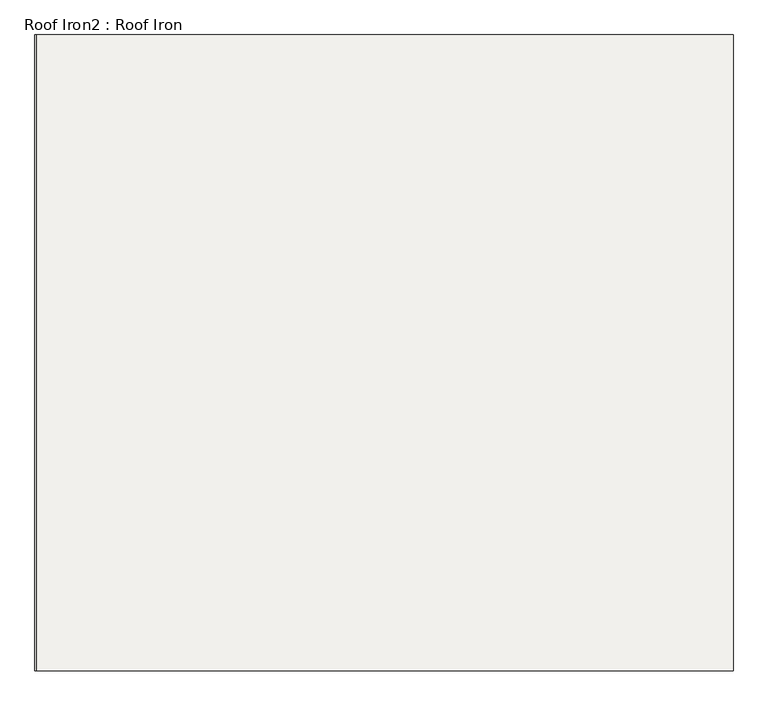
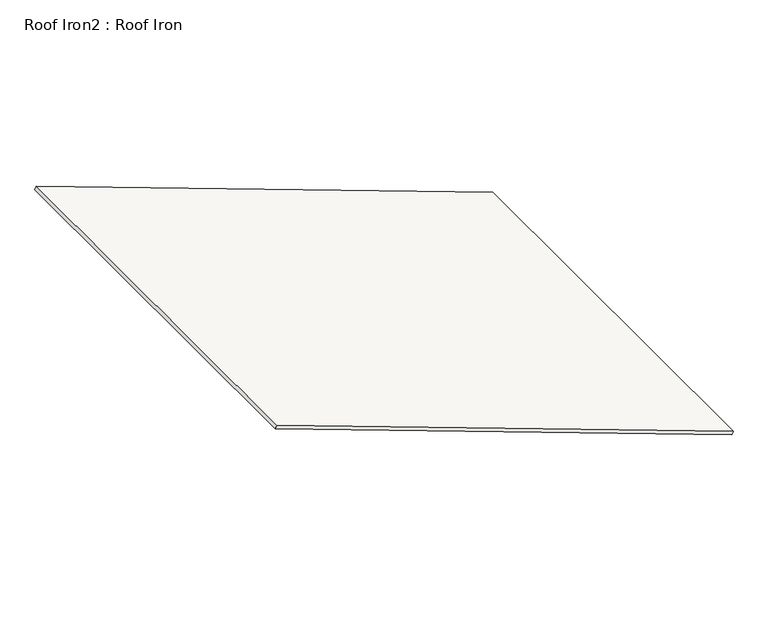
"""IFC4 building model written with IfcOpenShell, lengths in millimetres: roof geometry, Roof Iron2 : Roof Iron."""

import ifcopenshell
import ifcopenshell.guid

model = None  # the IFC model being written
_history = None  # IfcOwnerHistory: only IFC2X3 demands one
_inside = {}  # id of a spatial element -> (the spatial element, [elements in it])
_under = {}  # id of a project, library or spatial element -> (it, [spatial elements below it])
_declared = {}  # id of a project -> (the project, [libraries it declares])
_typed = {}  # id of a type object -> (the type object, [elements of that type])
_made_of = {}  # id of a material, layer set ... -> (it, [elements and type objects made of it])


def new_model(schema):
    """Start an empty IFC model of exactly this schema.

    Asked for "IFC4X3", IfcOpenShell would pick the latest addendum, in which some entities
    have other attributes; the version numbers below select the first issue.
    IFC2X3 requires an IfcOwnerHistory on every rooted entity: one is made here for all.
    """
    global model, _history
    if schema == "IFC4X3":
        model = ifcopenshell.file(schema_version=(4, 3, 0, 0))
    else:
        model = ifcopenshell.file(schema=schema)
    _inside.clear()
    _under.clear()
    _declared.clear()
    _typed.clear()
    _made_of.clear()
    _history = None
    if model.schema == "IFC2X3":
        org = make("IfcOrganization", Name="unknown")
        user = make(
            "IfcPersonAndOrganization",
            ThePerson=make("IfcPerson", FamilyName="unknown"),
            TheOrganization=org,
        )
        app = make(
            "IfcApplication",
            ApplicationDeveloper=org,
            Version="unknown",
            ApplicationFullName="unknown",
            ApplicationIdentifier="unknown",
        )
        _history = make(
            "IfcOwnerHistory",
            OwningUser=user,
            OwningApplication=app,
            ChangeAction="ADDED",
            CreationDate=0,
        )
    return model


def make(cls, **values):
    """One entity of the class cls with the attributes given. An attribute that is None is left unset."""
    return model.create_entity(
        cls, **{name: value for name, value in values.items() if value is not None}
    )


def rooted(cls, **values):
    """An entity with a GlobalId (a new one), such as an element, a storey or a relation."""
    return make(cls, GlobalId=ifcopenshell.guid.new(), OwnerHistory=_history, **values)


def si_unit(unit_type, name, prefix=None):
    """IfcSIUnit, for example si_unit("LENGTHUNIT", "METRE", prefix="MILLI")."""
    return make("IfcSIUnit", UnitType=unit_type, Prefix=prefix, Name=name)


def assignment(units):
    """IfcUnitAssignment: the units of a project."""
    return None if units is None else make("IfcUnitAssignment", Units=units)


def point(xyz):
    """IfcCartesianPoint."""
    return None if xyz is None else make("IfcCartesianPoint", Coordinates=xyz)


def direction(xyz):
    """IfcDirection."""
    return None if xyz is None else make("IfcDirection", DirectionRatios=xyz)


def frame(location, z_axis=None, x_axis=None):
    """IfcAxis2Placement3D, a coordinate frame: its origin and axes. An axis left out is left unset."""
    return make(
        "IfcAxis2Placement3D",
        Location=point(location),
        Axis=direction(z_axis),
        RefDirection=direction(x_axis),
    )


def origin():
    """The frame at (0, 0, 0) with its axes left unset."""
    return frame((0.0, 0.0, 0.0))


def place(relative_to, where):
    """IfcLocalPlacement: puts the frame where relative to a parent placement (None: the world)."""
    return make(
        "IfcLocalPlacement", PlacementRelTo=relative_to, RelativePlacement=where
    )


def context(
    kind, dimensions, precision=None, world=None, true_north=None, identifier=None
):
    """IfcGeometricRepresentationContext, for example the 3D "Model" context."""
    return make(
        "IfcGeometricRepresentationContext",
        ContextIdentifier=identifier,
        ContextType=kind,
        CoordinateSpaceDimension=dimensions,
        Precision=precision,
        WorldCoordinateSystem=world,
        TrueNorth=true_north,
    )


def project(units=None, contexts=None):
    """IfcProject with its units and contexts."""
    return rooted(
        "IfcProject",
        Name="project",
        RepresentationContexts=contexts,
        UnitsInContext=assignment(units),
    )


def spatial(cls, under=None, at=None, **own):
    """A site, building, storey or space (cls), placed at a placement, below another one or the project."""
    s = rooted(cls, ObjectPlacement=at, **own)
    if under is not None:
        _under.setdefault(under.id(), (under, []))[1].append(s)
    return s


def polyline(points):
    """IfcPolyline through the points."""
    return make("IfcPolyline", Points=[point(p) for p in points])


def outline(outer, holes=None, kind="AREA"):
    """IfcArbitraryClosedProfileDef: a profile drawn as a closed curve; with holes, ...WithVoids."""
    if holes is None:
        return make("IfcArbitraryClosedProfileDef", ProfileType=kind, OuterCurve=outer)
    return make(
        "IfcArbitraryProfileDefWithVoids",
        ProfileType=kind,
        OuterCurve=outer,
        InnerCurves=holes,
    )


def extrude(swept, where, along, depth):
    """IfcExtrudedAreaSolid: the profile swept, set in the frame where, extruded along a direction by depth."""
    return make(
        "IfcExtrudedAreaSolid",
        SweptArea=swept,
        Position=where,
        ExtrudedDirection=direction(along),
        Depth=depth,
    )


def shape(context_of_items, identifier, shape_type, items):
    """IfcShapeRepresentation: the items that make up one representation, for example the "Body"."""
    return make(
        "IfcShapeRepresentation",
        ContextOfItems=context_of_items,
        RepresentationIdentifier=identifier,
        RepresentationType=shape_type,
        Items=items,
    )


def source(mapping_origin, context_of_items, identifier, shape_type, items):
    """IfcRepresentationMap: a shape defined once, which mapped items show again and again."""
    return make(
        "IfcRepresentationMap",
        MappingOrigin=mapping_origin,
        MappedRepresentation=shape(context_of_items, identifier, shape_type, items),
    )


def transform(
    local_origin,
    x_axis=None,
    y_axis=None,
    z_axis=None,
    scale=None,
    scale2=None,
    scale3=None,
    uniform=True,
):
    """IfcCartesianTransformationOperator3D, or its non-uniform kind. x_axis, y_axis, z_axis: its Axis1, 2, 3."""
    if uniform:
        return make(
            "IfcCartesianTransformationOperator3D",
            Axis1=direction(x_axis),
            Axis2=direction(y_axis),
            LocalOrigin=point(local_origin),
            Scale=scale,
            Axis3=direction(z_axis),
        )
    return make(
        "IfcCartesianTransformationOperator3DnonUniform",
        Axis1=direction(x_axis),
        Axis2=direction(y_axis),
        LocalOrigin=point(local_origin),
        Scale=scale,
        Axis3=direction(z_axis),
        Scale2=scale2,
        Scale3=scale3,
    )


def mapped(mapping_source, mapping_target):
    """IfcMappedItem: shows the shape of a source again, moved by a transform."""
    return make(
        "IfcMappedItem", MappingSource=mapping_source, MappingTarget=mapping_target
    )


def made_of(thing, what):
    """Note that an element or type object is made of a material, layer set ...; save() writes the relation."""
    if what is not None:
        _made_of.setdefault(what.id(), (what, []))[1].append(thing)
    return thing


def element(
    cls,
    number,
    at=None,
    inside=None,
    cuts=None,
    type_object=None,
    material=None,
    context=None,
    identifier="Body",
    shape_type=None,
    held_by="IfcProductDefinitionShape",
    body=None,
    shapes=None,
    **own,
):
    """One element of the class cls, such as IfcWall. Its Tag is "e" and its number.

    at: its placement. inside: the storey or other place that contains it. cuts: it is an
    opening in that element (IfcRelVoidsElement). A single representation is given by context,
    identifier, shape_type and body (its items); several are given by shapes. held_by: the class
    of the entity that holds the representations. save() writes the other relations.
    """
    e = rooted(cls, Tag="e%d" % number, ObjectPlacement=at, **own)
    if body is not None:
        shapes = [shape(context, identifier, shape_type, body)]
    if shapes is not None:
        e.Representation = make(held_by, Representations=shapes)
    if inside is not None:
        _inside.setdefault(inside.id(), (inside, []))[1].append(e)
    if cuts is not None:
        rooted(
            "IfcRelVoidsElement", RelatingBuildingElement=cuts, RelatedOpeningElement=e
        )
    if type_object is not None:
        _typed.setdefault(type_object.id(), (type_object, []))[1].append(e)
    return made_of(e, material)


def aggregate(whole, parts):
    """IfcRelAggregates: a whole, such as a stair, and the parts it consists of."""
    return rooted("IfcRelAggregates", RelatingObject=whole, RelatedObjects=parts)


def save(model, path):
    """Write the relations noted so far, then the file.

    IfcRelAggregates (storeys below a building ...), IfcRelContainedInSpatialStructure (elements
    in a storey), IfcRelDefinesByType, IfcRelAssociatesMaterial and IfcRelDeclares: one each for
    every whole, place, type object, material and project.
    """
    for whole, parts in _under.values():
        aggregate(whole, parts)
    for where, things in _inside.values():
        rooted(
            "IfcRelContainedInSpatialStructure",
            RelatedElements=things,
            RelatingStructure=where,
        )
    for kind, things in _typed.values():
        rooted("IfcRelDefinesByType", RelatedObjects=things, RelatingType=kind)
    for what, things in _made_of.values():
        rooted("IfcRelAssociatesMaterial", RelatedObjects=things, RelatingMaterial=what)
    for by, libraries in _declared.values():
        rooted("IfcRelDeclares", RelatingContext=by, RelatedDefinitions=libraries)
    model.write(path)


def roof_iron2_roof_iron_325c89c5(model_context):
    return source(origin(), model_context, "Body", "SweptSolid", [
        extrude(outline(polyline([(1356.6819399, 0.0), (1356.6819399, -2113.9119379), (-1107.6883267, -2113.9119379), (-1107.6883267, 0.0), (1356.6819399, 0.0)])), frame((557.542602, 33276.302583, 452.8007907), z_axis=(0.3420201433256684, 0.0, 0.9396926207859086), x_axis=(0.9396926207859086, 0.0, -0.3420201433256684)), (0.0, 0.0, 1.0), 17.9894069),
    ])


if __name__ == "__main__":
    model = new_model("IFC4")
    model_context = context("Model", 3, world=origin())
    ifc_project = project(units=[si_unit("LENGTHUNIT", "METRE", prefix="MILLI")], contexts=[model_context])
    site = spatial("IfcSite", under=ifc_project)
    building = spatial("IfcBuilding", under=site)
    placement = place(None, origin())
    roof_iron2_roof_iron_shape = roof_iron2_roof_iron_325c89c5(model_context)
    element("IfcRoof", 1, ObjectType="Roof Iron2 : Roof Iron", at=placement, inside=building, context=model_context, shape_type="MappedRepresentation", body=[
        mapped(roof_iron2_roof_iron_shape, transform((0.0, 0.0, 0.0), x_axis=(1.0, 0.0, 0.0), y_axis=(0.0, 1.0, 0.0), z_axis=(0.0, 0.0, 1.0))),
    ])
    save(model, "model.ifc")
